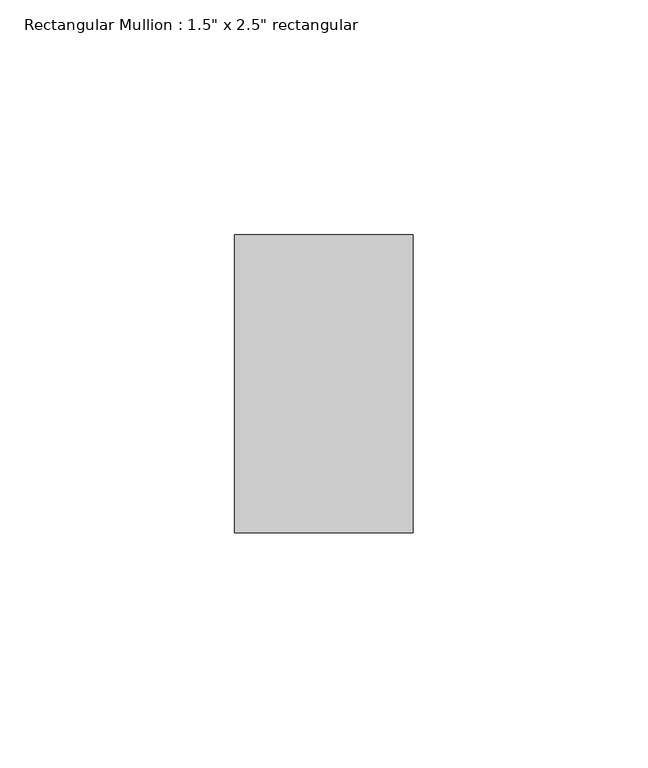
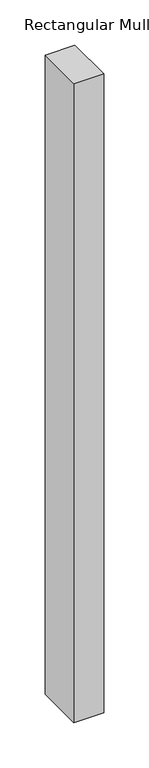
"""IFC4 building model written with IfcOpenShell, lengths in millimetres: member geometry."""

import ifcopenshell
import ifcopenshell.guid

model = None  # the IFC model being written
_history = None  # IfcOwnerHistory: only IFC2X3 demands one
_inside = {}  # id of a spatial element -> (the spatial element, [elements in it])
_under = {}  # id of a project, library or spatial element -> (it, [spatial elements below it])
_declared = {}  # id of a project -> (the project, [libraries it declares])
_typed = {}  # id of a type object -> (the type object, [elements of that type])
_made_of = {}  # id of a material, layer set ... -> (it, [elements and type objects made of it])


def new_model(schema):
    """Start an empty IFC model of exactly this schema.

    Asked for "IFC4X3", IfcOpenShell would pick the latest addendum, in which some entities
    have other attributes; the version numbers below select the first issue.
    IFC2X3 requires an IfcOwnerHistory on every rooted entity: one is made here for all.
    """
    global model, _history
    if schema == "IFC4X3":
        model = ifcopenshell.file(schema_version=(4, 3, 0, 0))
    else:
        model = ifcopenshell.file(schema=schema)
    _inside.clear()
    _under.clear()
    _declared.clear()
    _typed.clear()
    _made_of.clear()
    _history = None
    if model.schema == "IFC2X3":
        org = make("IfcOrganization", Name="unknown")
        user = make(
            "IfcPersonAndOrganization",
            ThePerson=make("IfcPerson", FamilyName="unknown"),
            TheOrganization=org,
        )
        app = make(
            "IfcApplication",
            ApplicationDeveloper=org,
            Version="unknown",
            ApplicationFullName="unknown",
            ApplicationIdentifier="unknown",
        )
        _history = make(
            "IfcOwnerHistory",
            OwningUser=user,
            OwningApplication=app,
            ChangeAction="ADDED",
            CreationDate=0,
        )
    return model


def make(cls, **values):
    """One entity of the class cls with the attributes given. An attribute that is None is left unset."""
    return model.create_entity(
        cls, **{name: value for name, value in values.items() if value is not None}
    )


def rooted(cls, **values):
    """An entity with a GlobalId (a new one), such as an element, a storey or a relation."""
    return make(cls, GlobalId=ifcopenshell.guid.new(), OwnerHistory=_history, **values)


def si_unit(unit_type, name, prefix=None):
    """IfcSIUnit, for example si_unit("LENGTHUNIT", "METRE", prefix="MILLI")."""
    return make("IfcSIUnit", UnitType=unit_type, Prefix=prefix, Name=name)


def assignment(units):
    """IfcUnitAssignment: the units of a project."""
    return None if units is None else make("IfcUnitAssignment", Units=units)


def point(xyz):
    """IfcCartesianPoint."""
    return None if xyz is None else make("IfcCartesianPoint", Coordinates=xyz)


def direction(xyz):
    """IfcDirection."""
    return None if xyz is None else make("IfcDirection", DirectionRatios=xyz)


def frame(location, z_axis=None, x_axis=None):
    """IfcAxis2Placement3D, a coordinate frame: its origin and axes. An axis left out is left unset."""
    return make(
        "IfcAxis2Placement3D",
        Location=point(location),
        Axis=direction(z_axis),
        RefDirection=direction(x_axis),
    )


def origin():
    """The frame at (0, 0, 0) with its axes left unset."""
    return frame((0.0, 0.0, 0.0))


def place(relative_to, where):
    """IfcLocalPlacement: puts the frame where relative to a parent placement (None: the world)."""
    return make(
        "IfcLocalPlacement", PlacementRelTo=relative_to, RelativePlacement=where
    )


def context(
    kind, dimensions, precision=None, world=None, true_north=None, identifier=None
):
    """IfcGeometricRepresentationContext, for example the 3D "Model" context."""
    return make(
        "IfcGeometricRepresentationContext",
        ContextIdentifier=identifier,
        ContextType=kind,
        CoordinateSpaceDimension=dimensions,
        Precision=precision,
        WorldCoordinateSystem=world,
        TrueNorth=true_north,
    )


def project(units=None, contexts=None):
    """IfcProject with its units and contexts."""
    return rooted(
        "IfcProject",
        Name="project",
        RepresentationContexts=contexts,
        UnitsInContext=assignment(units),
    )


def spatial(cls, under=None, at=None, **own):
    """A site, building, storey or space (cls), placed at a placement, below another one or the project."""
    s = rooted(cls, ObjectPlacement=at, **own)
    if under is not None:
        _under.setdefault(under.id(), (under, []))[1].append(s)
    return s


def polyline(points):
    """IfcPolyline through the points."""
    return make("IfcPolyline", Points=[point(p) for p in points])


def outline(outer, holes=None, kind="AREA"):
    """IfcArbitraryClosedProfileDef: a profile drawn as a closed curve; with holes, ...WithVoids."""
    if holes is None:
        return make("IfcArbitraryClosedProfileDef", ProfileType=kind, OuterCurve=outer)
    return make(
        "IfcArbitraryProfileDefWithVoids",
        ProfileType=kind,
        OuterCurve=outer,
        InnerCurves=holes,
    )


def extrude(swept, where, along, depth):
    """IfcExtrudedAreaSolid: the profile swept, set in the frame where, extruded along a direction by depth."""
    return make(
        "IfcExtrudedAreaSolid",
        SweptArea=swept,
        Position=where,
        ExtrudedDirection=direction(along),
        Depth=depth,
    )


def shape(context_of_items, identifier, shape_type, items):
    """IfcShapeRepresentation: the items that make up one representation, for example the "Body"."""
    return make(
        "IfcShapeRepresentation",
        ContextOfItems=context_of_items,
        RepresentationIdentifier=identifier,
        RepresentationType=shape_type,
        Items=items,
    )


def source(mapping_origin, context_of_items, identifier, shape_type, items):
    """IfcRepresentationMap: a shape defined once, which mapped items show again and again."""
    return make(
        "IfcRepresentationMap",
        MappingOrigin=mapping_origin,
        MappedRepresentation=shape(context_of_items, identifier, shape_type, items),
    )


def transform(
    local_origin,
    x_axis=None,
    y_axis=None,
    z_axis=None,
    scale=None,
    scale2=None,
    scale3=None,
    uniform=True,
):
    """IfcCartesianTransformationOperator3D, or its non-uniform kind. x_axis, y_axis, z_axis: its Axis1, 2, 3."""
    if uniform:
        return make(
            "IfcCartesianTransformationOperator3D",
            Axis1=direction(x_axis),
            Axis2=direction(y_axis),
            LocalOrigin=point(local_origin),
            Scale=scale,
            Axis3=direction(z_axis),
        )
    return make(
        "IfcCartesianTransformationOperator3DnonUniform",
        Axis1=direction(x_axis),
        Axis2=direction(y_axis),
        LocalOrigin=point(local_origin),
        Scale=scale,
        Axis3=direction(z_axis),
        Scale2=scale2,
        Scale3=scale3,
    )


def mapped(mapping_source, mapping_target):
    """IfcMappedItem: shows the shape of a source again, moved by a transform."""
    return make(
        "IfcMappedItem", MappingSource=mapping_source, MappingTarget=mapping_target
    )


def made_of(thing, what):
    """Note that an element or type object is made of a material, layer set ...; save() writes the relation."""
    if what is not None:
        _made_of.setdefault(what.id(), (what, []))[1].append(thing)
    return thing


def element(
    cls,
    number,
    at=None,
    inside=None,
    cuts=None,
    type_object=None,
    material=None,
    context=None,
    identifier="Body",
    shape_type=None,
    held_by="IfcProductDefinitionShape",
    body=None,
    shapes=None,
    **own,
):
    """One element of the class cls, such as IfcWall. Its Tag is "e" and its number.

    at: its placement. inside: the storey or other place that contains it. cuts: it is an
    opening in that element (IfcRelVoidsElement). A single representation is given by context,
    identifier, shape_type and body (its items); several are given by shapes. held_by: the class
    of the entity that holds the representations. save() writes the other relations.
    """
    e = rooted(cls, Tag="e%d" % number, ObjectPlacement=at, **own)
    if body is not None:
        shapes = [shape(context, identifier, shape_type, body)]
    if shapes is not None:
        e.Representation = make(held_by, Representations=shapes)
    if inside is not None:
        _inside.setdefault(inside.id(), (inside, []))[1].append(e)
    if cuts is not None:
        rooted(
            "IfcRelVoidsElement", RelatingBuildingElement=cuts, RelatedOpeningElement=e
        )
    if type_object is not None:
        _typed.setdefault(type_object.id(), (type_object, []))[1].append(e)
    return made_of(e, material)


def aggregate(whole, parts):
    """IfcRelAggregates: a whole, such as a stair, and the parts it consists of."""
    return rooted("IfcRelAggregates", RelatingObject=whole, RelatedObjects=parts)


def save(model, path):
    """Write the relations noted so far, then the file.

    IfcRelAggregates (storeys below a building ...), IfcRelContainedInSpatialStructure (elements
    in a storey), IfcRelDefinesByType, IfcRelAssociatesMaterial and IfcRelDeclares: one each for
    every whole, place, type object, material and project.
    """
    for whole, parts in _under.values():
        aggregate(whole, parts)
    for where, things in _inside.values():
        rooted(
            "IfcRelContainedInSpatialStructure",
            RelatedElements=things,
            RelatingStructure=where,
        )
    for kind, things in _typed.values():
        rooted("IfcRelDefinesByType", RelatedObjects=things, RelatingType=kind)
    for what, things in _made_of.values():
        rooted("IfcRelAssociatesMaterial", RelatedObjects=things, RelatingMaterial=what)
    for by, libraries in _declared.values():
        rooted("IfcRelDeclares", RelatingContext=by, RelatedDefinitions=libraries)
    model.write(path)


def member_8ac5e14f(model_context):
    return source(origin(), model_context, "Body", "SweptSolid", [
        extrude(outline(polyline([(0.0, 31.75), (0.0, -31.75), (-38.1, -31.75), (-38.1, 31.75), (0.0, 31.75)])), frame((0.0, 0.0, -863.6), z_axis=(0.0, 0.0, 1.0), x_axis=(1.0, 0.0, 0.0)), (0.0, 0.0, 1.0), 863.6),
    ])


if __name__ == "__main__":
    model = new_model("IFC4")
    model_context = context("Model", 3, world=origin())
    ifc_project = project(units=[si_unit("LENGTHUNIT", "METRE", prefix="MILLI")], contexts=[model_context])
    site = spatial("IfcSite", under=ifc_project)
    building = spatial("IfcBuilding", under=site)
    placement = place(None, origin())
    member_shape = member_8ac5e14f(model_context)
    element("IfcMember", 1, ObjectType="Rectangular Mullion : 1.5\" x 2.5\" rectangular", at=placement, inside=building, context=model_context, shape_type="MappedRepresentation", body=[
        mapped(member_shape, transform((0.0, 0.0, 0.0), x_axis=(1.0, 0.0, 0.0), y_axis=(0.0, 1.0, 0.0), z_axis=(0.0, 0.0, 1.0))),
    ])
    save(model, "model.ifc")
